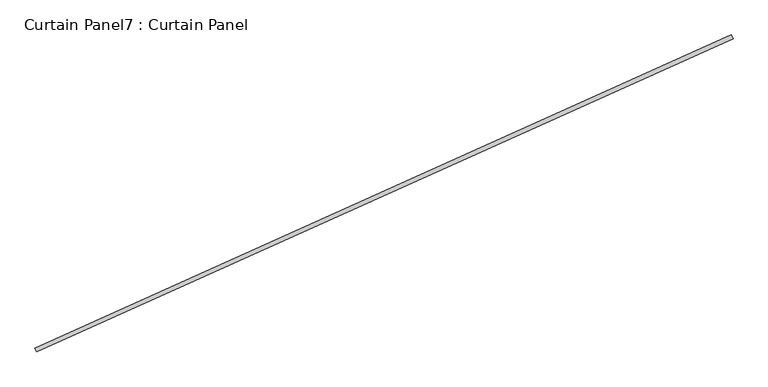
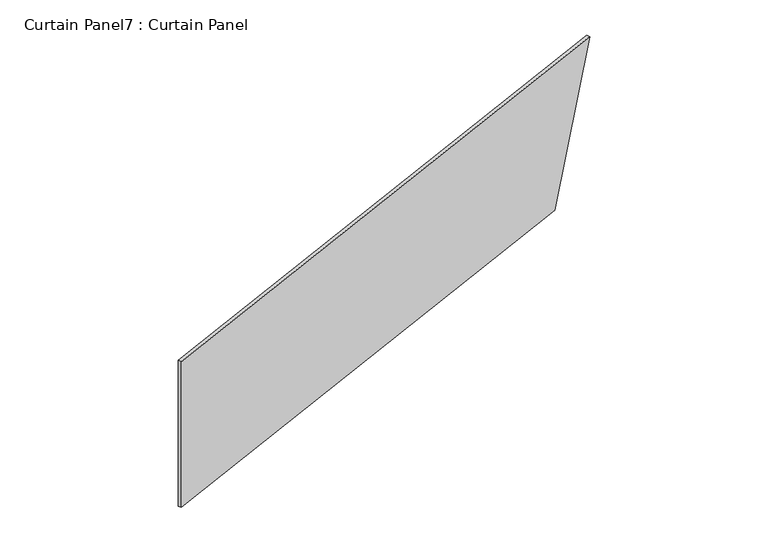
"""IFC4 building model written with IfcOpenShell, lengths in millimetres: plate geometry, Curtain Panel7 : Curtain Panel."""

from ifc_helpers import new_model, si_unit, frame, origin, place, context, project, spatial, polyline, outline, extrude, source, transform, mapped, element, save


def curtain_panel7_curtain_panel_addeaf0b(model_context):
    return source(origin(), model_context, "Body", "SweptSolid", [
        extrude(outline(polyline([(0.0, 0.0), (0.0, -4382.1145359), (-1219.2, -4793.6846754), (-1219.2, 0.0), (0.0, 0.0)])), frame((36557.5770857, -12836.3437505, 10972.8), z_axis=(-0.4102319712783583, 0.9119812112873117, 0.0), x_axis=(0.0, 0.0, -1.0)), (0.0, 0.0, 1.0), 25.4),
    ])


if __name__ == "__main__":
    model = new_model("IFC4")
    model_context = context("Model", 3, world=origin())
    ifc_project = project(units=[si_unit("LENGTHUNIT", "METRE", prefix="MILLI")], contexts=[model_context])
    site = spatial("IfcSite", under=ifc_project)
    building = spatial("IfcBuilding", under=site)
    placement = place(None, origin())
    curtain_panel7_curtain_panel_shape = curtain_panel7_curtain_panel_addeaf0b(model_context)
    element("IfcPlate", 1, ObjectType="Curtain Panel7 : Curtain Panel", at=placement, inside=building, context=model_context, shape_type="MappedRepresentation", body=[
        mapped(curtain_panel7_curtain_panel_shape, transform((0.0, 0.0, 0.0), x_axis=(1.0, 0.0, 0.0), y_axis=(0.0, 1.0, 0.0), z_axis=(0.0, 0.0, 1.0))),
    ])
    save(model, "model.ifc")
